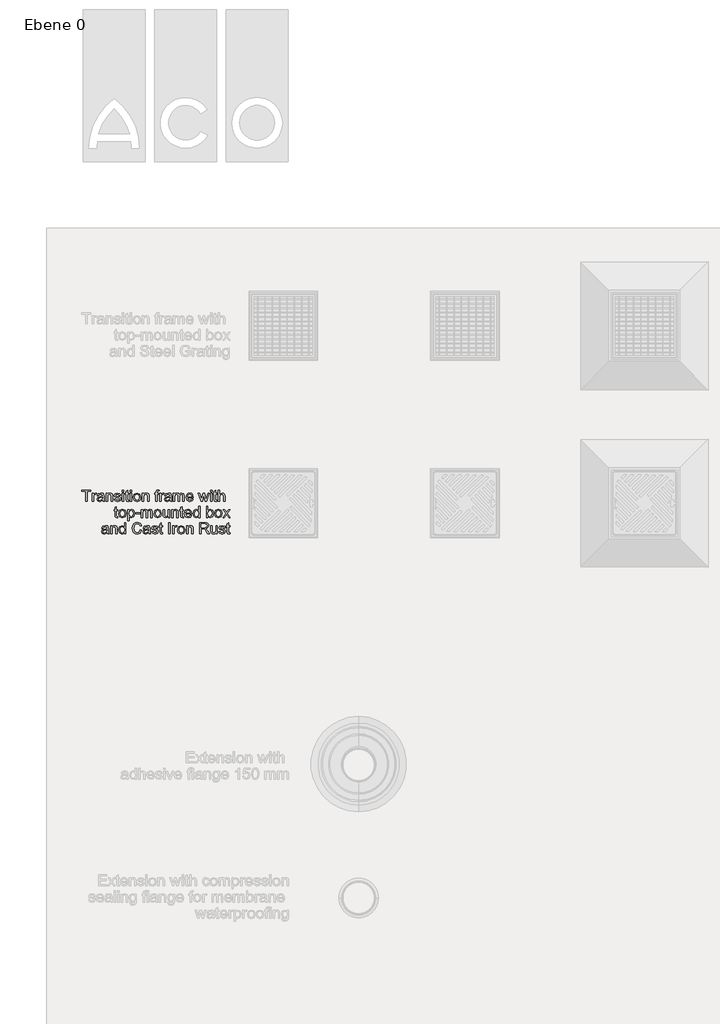
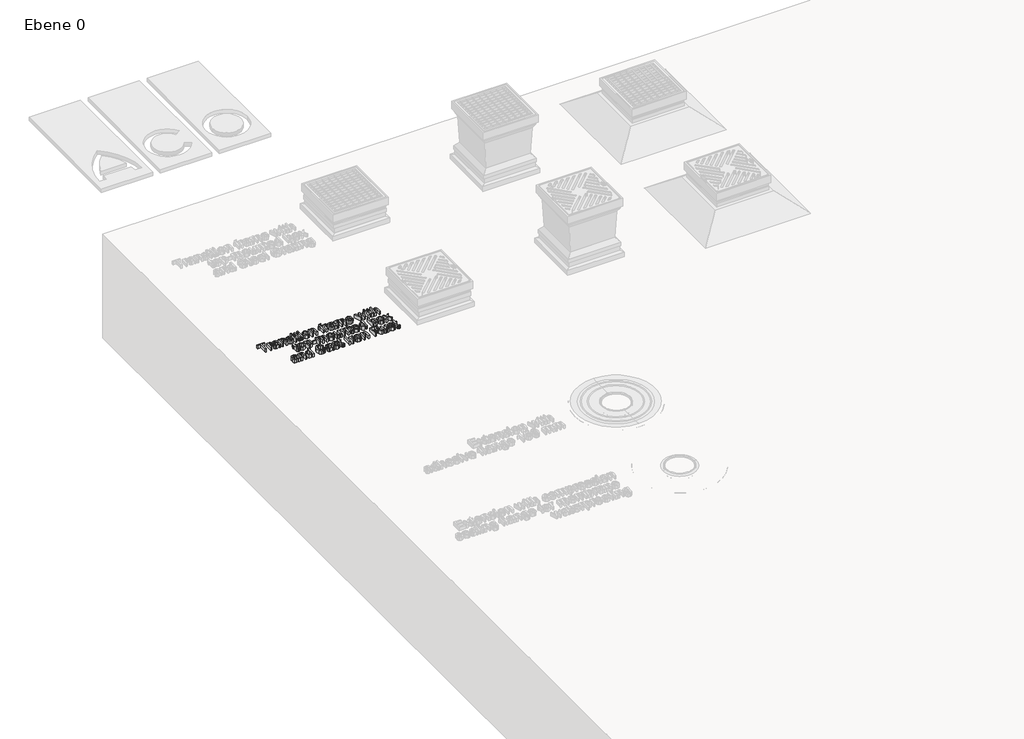
# One storey, part 8 of 12: 1 proxy.
"""IFC4 building model written with IfcOpenShell, lengths in millimetres."""

from ifc_helpers import new_model, si_unit, origin, origin_with_axes, place, context, project, spatial, polyline, outline, extrude, element, save

model = new_model("IFC4")

# Units and contexts
model_context = context("Model", 3, world=origin())
ifc_project = project(units=[si_unit("LENGTHUNIT", "METRE", prefix="MILLI")], contexts=[model_context])

# Site, building, storey
site = spatial("IfcSite", under=ifc_project)
building = spatial("IfcBuilding", under=site)
storey = spatial("IfcBuildingStorey", under=building, Name="Ebene 0", Elevation=0.0)

# Proxy
placement = place(None, origin())
element("IfcBuildingElementProxy", 1, Name="100mm ACO", ObjectType="100mm ACO", at=placement, inside=storey, context=model_context, shape_type="SweptSolid", body=[
    extrude(outline(polyline([(-29308.106162, 22125.4208709), (-29324.8702429, 22125.4208709), (-29324.8702429, 22080.7166552), (-29331.3896076, 22080.7166552), (-29331.3896076, 22125.4208709), (-29348.1536885, 22125.4208709), (-29348.1536885, 22131.0088979), (-29308.106162, 22131.0088979), (-29308.106162, 22125.4208709)])), origin_with_axes(), (0.0, 0.0, 1.0), 20.0),
    extrude(outline(polyline([(-29282.0287028, 22116.5440573), (-29284.0660043, 22112.3821414), (-29288.3443375, 22113.3134792), (-29293.3648304, 22110.0392446), (-29295.0674324, 22100.8713879), (-29295.0674324, 22080.7166552), (-29301.5867972, 22080.7166552), (-29301.5867972, 22117.0388305), (-29295.9987702, 22117.0388305), (-29295.9987702, 22111.6545337), (-29288.2715767, 22117.9701683), (-29282.0287028, 22116.5440573)])), origin_with_axes(), (0.0, 0.0, 1.0), 20.0),
    extrude(outline(polyline([(-29246.6378654, 22080.7166552), (-29253.1572302, 22080.7166552), (-29255.0199058, 22085.1114056), (-29268.0731876, 22079.7853174), (-29276.928173, 22082.6957481), (-29280.1660272, 22090.3792852), (-29276.9936577, 22097.9245768), (-29265.9776775, 22101.8463822), (-29260.2732333, 22102.7195114), (-29255.0199058, 22104.0001009), (-29255.1872556, 22108.0383235), (-29256.1622499, 22110.4903614), (-29258.7598093, 22112.534939), (-29263.5765721, 22113.3134792), (-29269.6520962, 22111.7345705), (-29272.7153245, 22105.8627766), (-29279.2346893, 22106.663145), (-29274.0905031, 22115.1324984), (-29262.6888908, 22117.9701683), (-29253.0044326, 22116.0274558), (-29249.2063205, 22111.3416624), (-29248.500541, 22104.2765918), (-29248.500541, 22095.9673122), (-29248.2240501, 22085.7808047), (-29246.6378654, 22080.7166552)]), holes=[polyline([(-29255.0199058, 22097.0150672), (-29255.0199058, 22099.3434118), (-29266.7271134, 22096.6658155), (-29271.9167751, 22094.624876), (-29273.6466624, 22090.4811503), (-29271.7839867, 22086.1446085), (-29266.4142421, 22084.4420066), (-29258.4614901, 22087.2942286), (-29255.0199058, 22097.0150672)])]), origin_with_axes(), (0.0, 0.0, 1.0), 20.0),
    extrude(outline(polyline([(-29209.3843523, 22080.7166552), (-29215.9037171, 22080.7166552), (-29215.9037171, 22103.3307019), (-29217.8464296, 22111.1743126), (-29223.2525546, 22113.3134792), (-29228.2948758, 22111.9455768), (-29231.6709755, 22108.0892561), (-29232.667798, 22101.0460137), (-29232.667798, 22080.7166552), (-29239.1871628, 22080.7166552), (-29239.1871628, 22117.0388305), (-29233.5991358, 22117.0388305), (-29233.5991358, 22111.9892332), (-29228.6222993, 22116.4785726), (-29221.957413, 22117.9701683), (-29216.2384166, 22116.9369654), (-29211.8145619, 22113.8446328), (-29209.7990887, 22109.4498824), (-29209.3843523, 22103.1415239), (-29209.3843523, 22080.7166552)])), origin_with_axes(), (0.0, 0.0, 1.0), 20.0),
    extrude(outline(polyline([(-29179.5815418, 22106.7941144), (-29181.9899233, 22111.683638), (-29187.556122, 22113.3134792), (-29193.246014, 22111.9164724), (-29195.4142849, 22107.8564216), (-29193.9808978, 22104.2620397), (-29187.2214225, 22102.3120511), (-29178.3082284, 22100.216541), (-29173.7606804, 22097.0368954), (-29172.1308392, 22091.3397273), (-29176.1763379, 22083.1250367), (-29186.988588, 22079.7853174), (-29197.9972922, 22082.5938831), (-29202.8649875, 22091.0050278), (-29196.3456227, 22091.8927092), (-29193.529781, 22086.2974061), (-29186.988588, 22084.4420066), (-29180.8039227, 22086.3701669), (-29178.650204, 22091.0632364), (-29179.6179222, 22094.0682561), (-29182.0335797, 22095.763582), (-29188.8658158, 22097.2187974), (-29199.3942989, 22101.1478788), (-29201.9336497, 22107.4780656), (-29198.171918, 22115.0088051), (-29188.0508952, 22117.9701683), (-29177.5515164, 22115.379885), (-29173.0621771, 22107.6235872), (-29179.5815418, 22106.7941144)])), origin_with_axes(), (0.0, 0.0, 1.0), 20.0),
    extrude(outline(polyline([(-29159.0921096, 22080.7166552), (-29165.6114744, 22080.7166552), (-29165.6114744, 22117.0388305), (-29159.0921096, 22117.0388305), (-29159.0921096, 22080.7166552)])), origin_with_axes(), (0.0, 0.0, 1.0), 20.0),
    extrude(outline(polyline([(-29159.0921096, 22124.4895331), (-29165.6114744, 22124.4895331), (-29165.6114744, 22131.0088979), (-29159.0921096, 22131.0088979), (-29159.0921096, 22124.4895331)])), origin_with_axes(), (0.0, 0.0, 1.0), 20.0),
    extrude(outline(polyline([(-29135.808664, 22080.2073299), (-29140.3780402, 22079.7853174), (-29146.2061777, 22081.2332567), (-29148.4399333, 22084.9076755), (-29148.8473936, 22091.1068929), (-29148.8473936, 22112.3821414), (-29153.5040827, 22112.3821414), (-29153.5040827, 22117.0388305), (-29148.8473936, 22117.0388305), (-29148.8473936, 22126.2648958), (-29142.3280288, 22130.0775601), (-29142.3280288, 22117.0388305), (-29136.7400018, 22117.0388305), (-29136.7400018, 22112.3821414), (-29142.3280288, 22112.3821414), (-29142.3280288, 22089.7971991), (-29141.8041512, 22085.6643874), (-29139.1411071, 22084.4420066), (-29136.6090324, 22084.4420066), (-29135.808664, 22080.2073299)])), origin_with_axes(), (0.0, 0.0, 1.0), 20.0),
    extrude(outline(polyline([(-29123.7012722, 22080.7166552), (-29130.220637, 22080.7166552), (-29130.220637, 22117.0388305), (-29123.7012722, 22117.0388305), (-29123.7012722, 22080.7166552)])), origin_with_axes(), (0.0, 0.0, 1.0), 20.0),
    extrude(outline(polyline([(-29123.7012722, 22124.4895331), (-29130.220637, 22124.4895331), (-29130.220637, 22131.0088979), (-29123.7012722, 22131.0088979), (-29123.7012722, 22124.4895331)])), origin_with_axes(), (0.0, 0.0, 1.0), 20.0),
    extrude(outline(polyline([(-29099.5010409, 22117.9701683), (-29087.4882381, 22113.1534055), (-29082.7224078, 22099.459829), (-29084.0120924, 22090.270144), (-29087.8811463, 22084.2382764), (-29099.5010409, 22079.7853174), (-29111.266457, 22084.3619697), (-29115.0045415, 22090.2792391), (-29116.2505696, 22098.8777429), (-29111.4338068, 22113.2407184), (-29099.5010409, 22117.9701683)]), holes=[polyline([(-29099.5010409, 22084.4420066), (-29091.8538842, 22088.4802292), (-29089.2417726, 22099.1105773), (-29092.1958598, 22109.7336494), (-29099.5010409, 22113.3134792), (-29106.8571545, 22109.6827169), (-29109.7312048, 22098.8631907), (-29106.806222, 22088.0727689), (-29099.5010409, 22084.4420066)])]), origin_with_axes(), (0.0, 0.0, 1.0), 20.0),
    extrude(outline(polyline([(-29045.4688948, 22080.7166552), (-29051.9882595, 22080.7166552), (-29051.9882595, 22103.3307019), (-29053.930972, 22111.1743126), (-29059.3370971, 22113.3134792), (-29064.3794183, 22111.9455768), (-29067.7555179, 22108.0892561), (-29068.7523404, 22101.0460137), (-29068.7523404, 22080.7166552), (-29075.2717052, 22080.7166552), (-29075.2717052, 22117.0388305), (-29069.6836783, 22117.0388305), (-29069.6836783, 22111.9892332), (-29064.7068417, 22116.4785726), (-29058.0419554, 22117.9701683), (-29052.3229591, 22116.9369654), (-29047.8991044, 22113.8446328), (-29045.8836311, 22109.4498824), (-29045.4688948, 22103.1415239), (-29045.4688948, 22080.7166552)])), origin_with_axes(), (0.0, 0.0, 1.0), 20.0),
    extrude(outline(polyline([(-28999.8333412, 22131.4600147), (-29000.6337097, 22127.2835466), (-29003.8060791, 22127.2835466), (-29006.9784486, 22126.2139633), (-29008.2153817, 22120.9242555), (-29008.2153817, 22117.0388305), (-29002.6273547, 22117.0388305), (-29002.6273547, 22112.3821414), (-29008.2153817, 22112.3821414), (-29008.2153817, 22080.7166552), (-29014.7347465, 22080.7166552), (-29014.7347465, 22112.3821414), (-29020.3227734, 22112.3821414), (-29020.3227734, 22117.0388305), (-29014.7347465, 22117.0388305), (-29014.7347465, 22121.0261206), (-29014.2472493, 22126.0466135), (-29011.6787942, 22130.1212165), (-29005.2612945, 22131.9402357), (-28999.8333412, 22131.4600147)])), origin_with_axes(), (0.0, 0.0, 1.0), 20.0),
    extrude(outline(polyline([(-28977.4812334, 22116.5440573), (-28979.5185349, 22112.3821414), (-28983.796868, 22113.3134792), (-28988.817361, 22110.0392446), (-28990.519963, 22100.8713879), (-28990.519963, 22080.7166552), (-28997.0393277, 22080.7166552), (-28997.0393277, 22117.0388305), (-28991.4513008, 22117.0388305), (-28991.4513008, 22111.6545337), (-28983.7241072, 22117.9701683), (-28977.4812334, 22116.5440573)])), origin_with_axes(), (0.0, 0.0, 1.0), 20.0),
    extrude(outline(polyline([(-28942.0903959, 22080.7166552), (-28948.6097607, 22080.7166552), (-28950.4724364, 22085.1114056), (-28963.5257181, 22079.7853174), (-28972.3807036, 22082.6957481), (-28975.6185577, 22090.3792852), (-28972.4461882, 22097.9245768), (-28961.430208, 22101.8463822), (-28955.7257638, 22102.7195114), (-28950.4724364, 22104.0001009), (-28950.6397862, 22108.0383235), (-28951.6147804, 22110.4903614), (-28954.2123399, 22112.534939), (-28959.0291027, 22113.3134792), (-28965.1046268, 22111.7345705), (-28968.1678551, 22105.8627766), (-28974.6872199, 22106.663145), (-28969.5430336, 22115.1324984), (-28958.1414213, 22117.9701683), (-28948.4569631, 22116.0274558), (-28944.6588511, 22111.3416624), (-28943.9530716, 22104.2765918), (-28943.9530716, 22095.9673122), (-28943.6765807, 22085.7808047), (-28942.0903959, 22080.7166552)]), holes=[polyline([(-28950.4724364, 22097.0150672), (-28950.4724364, 22099.3434118), (-28962.1796439, 22096.6658155), (-28967.3693057, 22094.624876), (-28969.0991929, 22090.4811503), (-28967.2365173, 22086.1446085), (-28961.8667726, 22084.4420066), (-28953.9140207, 22087.2942286), (-28950.4724364, 22097.0150672)])]), origin_with_axes(), (0.0, 0.0, 1.0), 20.0),
    extrude(outline(polyline([(-28886.2101263, 22080.7166552), (-28892.7294911, 22080.7166552), (-28892.7294911, 22104.2038311), (-28893.0569146, 22108.6349618), (-28894.7595165, 22111.8946442), (-28899.0451258, 22113.3134792), (-28905.0842695, 22110.7231959), (-28907.6308963, 22102.3120511), (-28907.6308963, 22080.7166552), (-28914.1502611, 22080.7166552), (-28914.1502611, 22104.9023344), (-28915.750998, 22111.5235643), (-28920.2912699, 22113.3134792), (-28926.5923524, 22110.5121896), (-28929.0516664, 22100.027363), (-28929.0516664, 22080.7166552), (-28935.5710312, 22080.7166552), (-28935.5710312, 22117.0388305), (-28929.9830042, 22117.0388305), (-28929.9830042, 22112.061994), (-28925.2644684, 22116.4931247), (-28918.9524718, 22117.9701683), (-28912.3239659, 22116.3767075), (-28908.5622342, 22111.5817729), (-28903.7745757, 22116.3730695), (-28897.4443889, 22117.9701683), (-28889.018692, 22114.9142161), (-28886.2101263, 22105.7463593), (-28886.2101263, 22080.7166552)])), origin_with_axes(), (0.0, 0.0, 1.0), 20.0),
    extrude(outline(polyline([(-28845.2312619, 22097.4807361), (-28872.2400589, 22097.4807361), (-28868.8275789, 22087.7890019), (-28861.253183, 22084.4420066), (-28855.381389, 22086.2974061), (-28851.7506267, 22091.8927092), (-28845.2312619, 22091.1359972), (-28850.921154, 22082.7248524), (-28861.253183, 22079.7853174), (-28874.1245628, 22084.8276386), (-28878.7594237, 22098.601252), (-28874.2919126, 22112.6004237), (-28868.9112538, 22116.6277322), (-28861.7042998, 22117.9701683), (-28854.049867, 22116.231186), (-28847.799717, 22110.3084595), (-28845.2312619, 22097.4807361)]), holes=[polyline([(-28851.7506267, 22102.1374253), (-28855.184935, 22110.6940916), (-28861.8643734, 22113.3134792), (-28868.9949287, 22110.1993183), (-28872.2400589, 22102.1374253), (-28851.7506267, 22102.1374253)])]), origin_with_axes(), (0.0, 0.0, 1.0), 20.0),
    extrude(outline(polyline([(-28773.2854148, 22117.0388305), (-28785.4510152, 22080.7166552), (-28791.6211283, 22080.7166552), (-28796.90356, 22102.5448856), (-28797.565683, 22105.4916967), (-28798.1987017, 22108.7149987), (-28804.6162014, 22080.7166552), (-28810.7863145, 22080.7166552), (-28823.1119885, 22117.0388305), (-28817.3056793, 22117.0388305), (-28808.4434178, 22088.2546708), (-28807.3811106, 22093.1587465), (-28801.8221879, 22117.0388305), (-28794.531559, 22117.0388305), (-28790.1222565, 22097.9900615), (-28788.0704028, 22089.0404871), (-28779.1062762, 22117.0388305), (-28773.2854148, 22117.0388305)])), origin_with_axes(), (0.0, 0.0, 1.0), 20.0),
    extrude(outline(polyline([(-28761.4108575, 22080.7166552), (-28767.9302223, 22080.7166552), (-28767.9302223, 22117.0388305), (-28761.4108575, 22117.0388305), (-28761.4108575, 22080.7166552)])), origin_with_axes(), (0.0, 0.0, 1.0), 20.0),
    extrude(outline(polyline([(-28761.4108575, 22124.4895331), (-28767.9302223, 22124.4895331), (-28767.9302223, 22131.0088979), (-28761.4108575, 22131.0088979), (-28761.4108575, 22124.4895331)])), origin_with_axes(), (0.0, 0.0, 1.0), 20.0),
    extrude(outline(polyline([(-28738.1274118, 22080.2073299), (-28742.696788, 22079.7853174), (-28748.5249255, 22081.2332567), (-28750.7586811, 22084.9076755), (-28751.1661414, 22091.1068929), (-28751.1661414, 22112.3821414), (-28755.8228305, 22112.3821414), (-28755.8228305, 22117.0388305), (-28751.1661414, 22117.0388305), (-28751.1661414, 22126.2648958), (-28744.6467766, 22130.0775601), (-28744.6467766, 22117.0388305), (-28739.0587497, 22117.0388305), (-28739.0587497, 22112.3821414), (-28744.6467766, 22112.3821414), (-28744.6467766, 22089.7971991), (-28744.1228991, 22085.6643874), (-28741.459855, 22084.4420066), (-28738.9277803, 22084.4420066), (-28738.1274118, 22080.2073299)])), origin_with_axes(), (0.0, 0.0, 1.0), 20.0),
    extrude(outline(polyline([(-28702.7365744, 22080.7166552), (-28709.2559392, 22080.7166552), (-28709.2559392, 22104.2038311), (-28711.1113388, 22111.0360672), (-28716.6484332, 22113.3134792), (-28723.1532458, 22110.6286069), (-28726.0200201, 22101.0460137), (-28726.0200201, 22080.7166552), (-28732.5393849, 22080.7166552), (-28732.5393849, 22131.0088979), (-28726.0200201, 22131.0088979), (-28726.0200201, 22112.9933318), (-28715.1786657, 22117.9701683), (-28708.4992272, 22116.5295051), (-28704.02444, 22112.0983744), (-28702.7365744, 22103.7963708), (-28702.7365744, 22080.7166552)])), origin_with_axes(), (0.0, 0.0, 1.0), 20.0),
    extrude(outline(polyline([(-29186.1009066, 22006.9238842), (-29190.6702828, 22006.5018717), (-29196.4984203, 22007.949811), (-29198.7321759, 22011.6242298), (-29199.1396362, 22017.8234472), (-29199.1396362, 22039.0986957), (-29203.7963253, 22039.0986957), (-29203.7963253, 22043.7553848), (-29199.1396362, 22043.7553848), (-29199.1396362, 22052.9814502), (-29192.6202714, 22056.7941144), (-29192.6202714, 22043.7553848), (-29187.0322445, 22043.7553848), (-29187.0322445, 22039.0986957), (-29192.6202714, 22039.0986957), (-29192.6202714, 22016.5137534), (-29192.0963939, 22012.3809418), (-29189.4333498, 22011.1585609), (-29186.9012751, 22011.1585609), (-29186.1009066, 22006.9238842)])), origin_with_axes(), (0.0, 0.0, 1.0), 20.0),
    extrude(outline(polyline([(-29165.6260266, 22044.6867226), (-29153.6132238, 22039.8699598), (-29148.8473936, 22026.1763833), (-29150.1370782, 22016.9866984), (-29154.006132, 22010.9548307), (-29165.6260266, 22006.5018717), (-29177.3914427, 22011.078524), (-29181.1295272, 22016.9957935), (-29182.3755553, 22025.5942972), (-29177.5587925, 22039.9572727), (-29165.6260266, 22044.6867226)]), holes=[polyline([(-29165.6260266, 22011.1585609), (-29157.9788699, 22015.1967835), (-29155.3667583, 22025.8271317), (-29158.3208455, 22036.4502037), (-29165.6260266, 22040.0300335), (-29172.9821402, 22036.3992712), (-29175.8561905, 22025.579745), (-29172.9312077, 22014.7893232), (-29165.6260266, 22011.1585609)])]), origin_with_axes(), (0.0, 0.0, 1.0), 20.0),
    extrude(outline(polyline([(-29134.8118415, 22039.3751866), (-29124.6908187, 22044.6867226), (-29113.7475992, 22039.4770517), (-29109.7312048, 22025.8998924), (-29114.2714767, 22011.7479231), (-29125.4184263, 22006.5018717), (-29134.7027003, 22010.7802049), (-29134.8773261, 21993.4631422), (-29141.3966909, 21993.4631422), (-29141.3966909, 22043.7553848), (-29134.8773261, 22043.7553848), (-29134.8118415, 22039.3751866)]), holes=[polyline([(-29126.1314819, 22011.1585609), (-29119.0518592, 22014.8329796), (-29116.2505696, 22025.7834752), (-29118.9499941, 22036.3410626), (-29125.8549909, 22040.0300335), (-29133.0073744, 22035.9190501), (-29135.808664, 22025.2595977), (-29133.1237916, 22014.7456667), (-29126.1314819, 22011.1585609)])]), origin_with_axes(), (0.0, 0.0, 1.0), 20.0),
    extrude(outline(polyline([(-29085.5164213, 22024.1972905), (-29105.0745157, 22024.1972905), (-29105.0745157, 22028.8539796), (-29085.5164213, 22028.8539796), (-29085.5164213, 22024.1972905)])), origin_with_axes(), (0.0, 0.0, 1.0), 20.0),
    extrude(outline(polyline([(-29030.5674895, 22007.4332096), (-29037.0868543, 22007.4332096), (-29037.0868543, 22030.9203854), (-29037.4142778, 22035.3515161), (-29039.1168797, 22038.6111985), (-29043.4024889, 22040.0300335), (-29049.4416327, 22037.4397502), (-29051.9882595, 22029.0286054), (-29051.9882595, 22007.4332096), (-29058.5076243, 22007.4332096), (-29058.5076243, 22031.6188888), (-29060.1083612, 22038.2401186), (-29064.6486331, 22040.0300335), (-29070.9497156, 22037.228744), (-29073.4090296, 22026.7439173), (-29073.4090296, 22007.4332096), (-29079.9283944, 22007.4332096), (-29079.9283944, 22043.7553848), (-29074.3403674, 22043.7553848), (-29074.3403674, 22038.7785483), (-29069.6218316, 22043.2096791), (-29063.309835, 22044.6867226), (-29056.6813291, 22043.0932618), (-29052.9195974, 22038.2983272), (-29048.1319388, 22043.0896238), (-29041.8017521, 22044.6867226), (-29033.3760552, 22041.6307704), (-29030.5674895, 22032.4629137), (-29030.5674895, 22007.4332096)])), origin_with_axes(), (0.0, 0.0, 1.0), 20.0),
    extrude(outline(polyline([(-29006.3672582, 22044.6867226), (-28994.3544554, 22039.8699598), (-28989.5886251, 22026.1763833), (-28990.8783097, 22016.9866984), (-28994.7473636, 22010.9548307), (-29006.3672582, 22006.5018717), (-29018.1326743, 22011.078524), (-29021.8707588, 22016.9957935), (-29023.1167869, 22025.5942972), (-29018.3000241, 22039.9572727), (-29006.3672582, 22044.6867226)]), holes=[polyline([(-29006.3672582, 22011.1585609), (-28998.7201015, 22015.1967835), (-28996.1079899, 22025.8271317), (-28999.0620771, 22036.4502037), (-29006.3672582, 22040.0300335), (-29013.7233718, 22036.3992712), (-29016.5974221, 22025.579745), (-29013.6724392, 22014.7893232), (-29006.3672582, 22011.1585609)])]), origin_with_axes(), (0.0, 0.0, 1.0), 20.0),
    extrude(outline(polyline([(-28952.335112, 22007.4332096), (-28957.923139, 22007.4332096), (-28957.923139, 22012.7156413), (-28963.0746014, 22008.0553141), (-28969.5939662, 22006.5018717), (-28976.6954171, 22008.2699584), (-28981.046511, 22013.1376538), (-28982.1379225, 22021.1849947), (-28982.1379225, 22043.7553848), (-28975.6185577, 22043.7553848), (-28975.6185577, 22023.1495354), (-28975.167441, 22016.0626366), (-28972.8099921, 22012.5410155), (-28968.2697202, 22011.1585609), (-28961.8594965, 22013.632427), (-28958.8544768, 22023.8771431), (-28958.8544768, 22043.7553848), (-28952.335112, 22043.7553848), (-28952.335112, 22007.4332096)])), origin_with_axes(), (0.0, 0.0, 1.0), 20.0),
    extrude(outline(polyline([(-28913.2189233, 22007.4332096), (-28919.7382881, 22007.4332096), (-28919.7382881, 22030.0472562), (-28921.6810006, 22037.8908669), (-28927.0871256, 22040.0300335), (-28932.1294468, 22038.6621311), (-28935.5055465, 22034.8058104), (-28936.502369, 22027.7625681), (-28936.502369, 22007.4332096), (-28943.0217338, 22007.4332096), (-28943.0217338, 22043.7553848), (-28937.4337068, 22043.7553848), (-28937.4337068, 22038.7057875), (-28932.4568703, 22043.1951269), (-28925.791984, 22044.6867226), (-28920.0729876, 22043.6535197), (-28915.649133, 22040.5611871), (-28913.6336597, 22036.1664367), (-28913.2189233, 22029.8580782), (-28913.2189233, 22007.4332096)])), origin_with_axes(), (0.0, 0.0, 1.0), 20.0),
    extrude(outline(polyline([(-28889.9354776, 22006.9238842), (-28894.5048538, 22006.5018717), (-28900.3329913, 22007.949811), (-28902.5667469, 22011.6242298), (-28902.9742072, 22017.8234472), (-28902.9742072, 22039.0986957), (-28907.6308963, 22039.0986957), (-28907.6308963, 22043.7553848), (-28902.9742072, 22043.7553848), (-28902.9742072, 22052.9814502), (-28896.4548424, 22056.7941144), (-28896.4548424, 22043.7553848), (-28890.8668155, 22043.7553848), (-28890.8668155, 22039.0986957), (-28896.4548424, 22039.0986957), (-28896.4548424, 22016.5137534), (-28895.9309649, 22012.3809418), (-28893.2679208, 22011.1585609), (-28890.7358461, 22011.1585609), (-28889.9354776, 22006.9238842)])), origin_with_axes(), (0.0, 0.0, 1.0), 20.0),
    extrude(outline(polyline([(-28852.6819646, 22024.1972905), (-28879.6907615, 22024.1972905), (-28876.2782815, 22014.5055562), (-28868.7038856, 22011.1585609), (-28862.8320917, 22013.0139605), (-28859.2013293, 22018.6092635), (-28852.6819646, 22017.8525515), (-28858.3718566, 22009.4414068), (-28868.7038856, 22006.5018717), (-28881.5752654, 22011.5441929), (-28886.2101263, 22025.3178063), (-28881.7426152, 22039.316978), (-28876.3619564, 22043.3442865), (-28869.1550024, 22044.6867226), (-28861.5005696, 22042.9477403), (-28855.2504197, 22037.0250138), (-28852.6819646, 22024.1972905)]), holes=[polyline([(-28859.2013293, 22028.8539796), (-28862.6356376, 22037.4106459), (-28869.3150761, 22040.0300335), (-28876.4456313, 22036.9158727), (-28879.6907615, 22028.8539796), (-28859.2013293, 22028.8539796)])]), origin_with_axes(), (0.0, 0.0, 1.0), 20.0),
    extrude(outline(polyline([(-28815.4284515, 22007.4332096), (-28821.9478163, 22007.4332096), (-28821.9478163, 22011.5369169), (-28831.872385, 22006.5018717), (-28842.7355676, 22011.8134078), (-28847.0939376, 22025.5942972), (-28842.9174695, 22039.5643646), (-28831.8869371, 22044.6867226), (-28822.0787856, 22040.0882421), (-28821.9478163, 22057.7254522), (-28815.4284515, 22057.7254522), (-28815.4284515, 22007.4332096)]), holes=[polyline([(-28831.115673, 22011.1585609), (-28824.6108604, 22014.5928691), (-28821.9478163, 22025.0122111), (-28824.385302, 22035.9554305), (-28831.3776118, 22040.0300335), (-28838.2535043, 22036.0427434), (-28840.5745728, 22025.579745), (-28839.3230876, 22017.6560974), (-28835.8305707, 22012.7884021), (-28831.115673, 22011.1585609)])]), origin_with_axes(), (0.0, 0.0, 1.0), 20.0),
    extrude(outline(polyline([(-28779.9503011, 22040.1610029), (-28770.1712539, 22044.6867226), (-28759.0606847, 22039.5643646), (-28754.8914927, 22026.1763833), (-28759.4754211, 22011.5732973), (-28770.2003582, 22006.5018717), (-28779.9066447, 22011.4787083), (-28780.037614, 22007.4332096), (-28786.5569788, 22007.4332096), (-28786.5569788, 22057.7254522), (-28780.037614, 22057.7254522), (-28779.9503011, 22040.1610029)]), holes=[polyline([(-28770.8115487, 22011.1585609), (-28764.0666255, 22014.963949), (-28761.4108575, 22025.6525058), (-28763.8556193, 22036.1518846), (-28770.6078185, 22040.0300335), (-28777.4473307, 22036.0281913), (-28780.037614, 22025.8998924), (-28778.9607547, 22017.3723304), (-28775.7156244, 22012.9994083), (-28770.8115487, 22011.1585609)])]), origin_with_axes(), (0.0, 0.0, 1.0), 20.0),
    extrude(outline(polyline([(-28732.553937, 22044.6867226), (-28720.5411343, 22039.8699598), (-28715.775304, 22026.1763833), (-28717.0649886, 22016.9866984), (-28720.9340424, 22010.9548307), (-28732.553937, 22006.5018717), (-28744.3193532, 22011.078524), (-28748.0574376, 22016.9957935), (-28749.3034658, 22025.5942972), (-28744.4867029, 22039.9572727), (-28732.553937, 22044.6867226)]), holes=[polyline([(-28732.553937, 22011.1585609), (-28724.9067803, 22015.1967835), (-28722.2946688, 22025.8271317), (-28725.2487559, 22036.4502037), (-28732.553937, 22040.0300335), (-28739.9100506, 22036.3992712), (-28742.784101, 22025.579745), (-28739.8591181, 22014.7893232), (-28732.553937, 22011.1585609)])]), origin_with_axes(), (0.0, 0.0, 1.0), 20.0),
    extrude(outline(polyline([(-28678.5217909, 22007.4332096), (-28685.0993643, 22007.4332096), (-28695.3004239, 22021.6361114), (-28705.443275, 22007.4332096), (-28712.0499527, 22007.4332096), (-28698.6037628, 22026.2491441), (-28711.1186148, 22043.7553848), (-28704.5555936, 22043.7553848), (-28695.3004239, 22030.8476246), (-28686.0743586, 22043.7553848), (-28679.4531287, 22043.7553848), (-28691.9970851, 22026.234592), (-28678.5217909, 22007.4332096)])), origin_with_axes(), (0.0, 0.0, 1.0), 20.0),
    extrude(outline(polyline([(-29226.1484332, 21934.1497639), (-29232.667798, 21934.1497639), (-29234.5304736, 21938.5445143), (-29247.5837554, 21933.2184261), (-29256.4387408, 21936.1288568), (-29259.676595, 21943.8123938), (-29256.5042255, 21951.3576855), (-29245.4882453, 21955.2794908), (-29239.7838011, 21956.1526201), (-29234.5304736, 21957.4332096), (-29234.6978234, 21961.4714322), (-29235.6728177, 21963.92347), (-29238.2703771, 21965.9680476), (-29243.0871399, 21966.7465878), (-29249.162664, 21965.1676792), (-29252.2258924, 21959.2958852), (-29258.7452571, 21960.0962537), (-29253.6010709, 21968.565607), (-29242.1994586, 21971.403277), (-29232.5150004, 21969.4605645), (-29228.7168883, 21964.774771), (-29228.0111088, 21957.7097005), (-29228.0111088, 21949.4004208), (-29227.7346179, 21939.2139133), (-29226.1484332, 21934.1497639)]), holes=[polyline([(-29234.5304736, 21950.4481759), (-29234.5304736, 21952.7765204), (-29246.2376812, 21950.0989242), (-29251.4273429, 21948.0579846), (-29253.1572302, 21943.9142589), (-29251.2945545, 21939.5777172), (-29245.9248099, 21937.8751152), (-29237.972058, 21940.7273373), (-29234.5304736, 21950.4481759)])]), origin_with_axes(), (0.0, 0.0, 1.0), 20.0),
    extrude(outline(polyline([(-29188.8949201, 21934.1497639), (-29195.4142849, 21934.1497639), (-29195.4142849, 21956.7638105), (-29197.3569974, 21964.6074213), (-29202.7631224, 21966.7465878), (-29207.8054436, 21965.3786854), (-29211.1815433, 21961.5223647), (-29212.1783658, 21954.4791224), (-29212.1783658, 21934.1497639), (-29218.6977306, 21934.1497639), (-29218.6977306, 21970.4719391), (-29213.1097036, 21970.4719391), (-29213.1097036, 21965.4223419), (-29208.1328671, 21969.9116812), (-29201.4679808, 21971.403277), (-29195.7489844, 21970.3700741), (-29191.3251298, 21967.2777414), (-29189.3096565, 21962.8829911), (-29188.8949201, 21956.5746325), (-29188.8949201, 21934.1497639)])), origin_with_axes(), (0.0, 0.0, 1.0), 20.0),
    extrude(outline(polyline([(-29149.7787314, 21934.1497639), (-29156.2980962, 21934.1497639), (-29156.2980962, 21938.2534712), (-29166.2226649, 21933.2184261), (-29177.0858475, 21938.5299621), (-29181.4442175, 21952.3108515), (-29177.2677494, 21966.2809189), (-29166.237217, 21971.403277), (-29156.4290655, 21966.8047965), (-29156.2980962, 21984.4420066), (-29149.7787314, 21984.4420066), (-29149.7787314, 21934.1497639)]), holes=[polyline([(-29165.4659529, 21937.8751152), (-29158.9611403, 21941.3094234), (-29156.2980962, 21951.7287654), (-29158.7355819, 21962.6719848), (-29165.7278917, 21966.7465878), (-29172.6037842, 21962.7592978), (-29174.9248527, 21952.2962994), (-29173.6733675, 21944.3726518), (-29170.1808507, 21939.5049564), (-29165.4659529, 21937.8751152)])]), origin_with_axes(), (0.0, 0.0, 1.0), 20.0),
    extrude(outline(polyline([(-29078.0657187, 21950.1571328), (-29085.6255625, 21937.4167224), (-29098.5551509, 21933.2184261), (-29109.0690818, 21935.1575005), (-29116.2796739, 21940.9747239), (-29121.8385966, 21959.6451369), (-29120.2069364, 21970.4009974), (-29115.3119557, 21978.5411083), (-29107.852158, 21983.6652854), (-29098.5260466, 21985.3733444), (-29086.1785443, 21981.7280299), (-29078.9970565, 21971.0540253), (-29085.5164213, 21969.5406013), (-29090.4714296, 21977.2168623), (-29098.7734332, 21979.7853174), (-29105.9258167, 21978.422872), (-29111.1136594, 21974.3355359), (-29115.3192318, 21959.7178977), (-29110.8662728, 21943.9651915), (-29099.2536543, 21938.806453), (-29089.7219937, 21942.0588593), (-29084.5850835, 21951.8451826), (-29078.0657187, 21950.1571328)])), origin_with_axes(), (0.0, 0.0, 1.0), 20.0),
    extrude(outline(polyline([(-29038.94953, 21934.1497639), (-29045.4688948, 21934.1497639), (-29047.3315704, 21938.5445143), (-29060.3848521, 21933.2184261), (-29069.2398376, 21936.1288568), (-29072.4776917, 21943.8123938), (-29069.3053223, 21951.3576855), (-29058.289342, 21955.2794908), (-29052.5848978, 21956.1526201), (-29047.3315704, 21957.4332096), (-29047.4989202, 21961.4714322), (-29048.4739145, 21963.92347), (-29051.0714739, 21965.9680476), (-29055.8882367, 21966.7465878), (-29061.9637608, 21965.1676792), (-29065.0269891, 21959.2958852), (-29071.5463539, 21960.0962537), (-29066.4021676, 21968.565607), (-29055.0005553, 21971.403277), (-29045.3160971, 21969.4605645), (-29041.5179851, 21964.774771), (-29040.8122056, 21957.7097005), (-29040.8122056, 21949.4004208), (-29040.5357147, 21939.2139133), (-29038.94953, 21934.1497639)]), holes=[polyline([(-29047.3315704, 21950.4481759), (-29047.3315704, 21952.7765204), (-29059.0387779, 21950.0989242), (-29064.2284397, 21948.0579846), (-29065.9583269, 21943.9142589), (-29064.0956513, 21939.5777172), (-29058.7259066, 21937.8751152), (-29050.7731547, 21940.7273373), (-29047.3315704, 21950.4481759)])]), origin_with_axes(), (0.0, 0.0, 1.0), 20.0),
    extrude(outline(polyline([(-29011.0093951, 21960.227223), (-29013.4177766, 21965.1167466), (-29018.9839753, 21966.7465878), (-29024.6738673, 21965.3495811), (-29026.8421382, 21961.2895303), (-29025.4087511, 21957.6951483), (-29018.6492758, 21955.7451598), (-29009.7360817, 21953.6496496), (-29005.1885337, 21950.4700041), (-29003.5586925, 21944.772836), (-29007.6041912, 21936.5581453), (-29018.4164413, 21933.2184261), (-29029.4251455, 21936.0269917), (-29034.2928408, 21944.4381364), (-29027.773476, 21945.3258178), (-29024.9576343, 21939.7305148), (-29018.4164413, 21937.8751152), (-29012.231776, 21939.8032755), (-29010.0780573, 21944.4963451), (-29011.0457755, 21947.5013648), (-29013.461433, 21949.1966907), (-29020.2936691, 21950.651906), (-29030.8221522, 21954.5809875), (-29033.361503, 21960.9111743), (-29029.5997713, 21968.4419137), (-29019.4787485, 21971.403277), (-29008.9793697, 21968.8129936), (-29004.4900304, 21961.0566958), (-29011.0093951, 21960.227223)])), origin_with_axes(), (0.0, 0.0, 1.0), 20.0),
    extrude(outline(polyline([(-28983.0692603, 21933.6404385), (-28987.6386366, 21933.2184261), (-28993.466774, 21934.6663653), (-28995.7005296, 21938.3407841), (-28996.1079899, 21944.5400015), (-28996.1079899, 21965.81525), (-29000.7646791, 21965.81525), (-29000.7646791, 21970.4719391), (-28996.1079899, 21970.4719391), (-28996.1079899, 21979.6980045), (-28989.5886251, 21983.5106687), (-28989.5886251, 21970.4719391), (-28984.0005982, 21970.4719391), (-28984.0005982, 21965.81525), (-28989.5886251, 21965.81525), (-28989.5886251, 21943.2303077), (-28989.0647476, 21939.0974961), (-28986.4017035, 21937.8751152), (-28983.8696288, 21937.8751152), (-28983.0692603, 21933.6404385)])), origin_with_axes(), (0.0, 0.0, 1.0), 20.0),
    extrude(outline(polyline([(-28949.5410986, 21934.1497639), (-28956.0604634, 21934.1497639), (-28956.0604634, 21984.4420066), (-28949.5410986, 21984.4420066), (-28949.5410986, 21934.1497639)])), origin_with_axes(), (0.0, 0.0, 1.0), 20.0),
    extrude(outline(polyline([(-28918.8069503, 21969.9771659), (-28920.8442518, 21965.81525), (-28925.1225849, 21966.7465878), (-28930.1430779, 21963.4723533), (-28931.8456799, 21954.3044966), (-28931.8456799, 21934.1497639), (-28938.3650446, 21934.1497639), (-28938.3650446, 21970.4719391), (-28932.7770177, 21970.4719391), (-28932.7770177, 21965.0876423), (-28925.0498241, 21971.403277), (-28918.8069503, 21969.9771659)])), origin_with_axes(), (0.0, 0.0, 1.0), 20.0),
    extrude(outline(polyline([(-28900.1947459, 21971.403277), (-28888.1819431, 21966.5865141), (-28883.4161128, 21952.8929377), (-28884.7057975, 21943.7032527), (-28888.5748513, 21937.6713851), (-28900.1947459, 21933.2184261), (-28911.960162, 21937.7950784), (-28915.6982465, 21943.7123478), (-28916.9442746, 21952.3108515), (-28912.1275118, 21966.6738271), (-28900.1947459, 21971.403277)]), holes=[polyline([(-28900.1947459, 21937.8751152), (-28892.5475892, 21941.9133378), (-28889.9354776, 21952.543686), (-28892.8895648, 21963.1667581), (-28900.1947459, 21966.7465878), (-28907.5508595, 21963.1158255), (-28910.4249098, 21952.2962994), (-28907.499927, 21941.5058775), (-28900.1947459, 21937.8751152)])]), origin_with_axes(), (0.0, 0.0, 1.0), 20.0),
    extrude(outline(polyline([(-28846.1625998, 21934.1497639), (-28852.6819646, 21934.1497639), (-28852.6819646, 21956.7638105), (-28854.6246771, 21964.6074213), (-28860.0308021, 21966.7465878), (-28865.0731233, 21965.3786854), (-28868.4492229, 21961.5223647), (-28869.4460454, 21954.4791224), (-28869.4460454, 21934.1497639), (-28875.9654102, 21934.1497639), (-28875.9654102, 21970.4719391), (-28870.3773833, 21970.4719391), (-28870.3773833, 21965.4223419), (-28865.4005468, 21969.9116812), (-28858.7356604, 21971.403277), (-28853.0166641, 21970.3700741), (-28848.5928094, 21967.2777414), (-28846.5773361, 21962.8829911), (-28846.1625998, 21956.5746325), (-28846.1625998, 21934.1497639)])), origin_with_axes(), (0.0, 0.0, 1.0), 20.0),
    extrude(outline(polyline([(-28772.354077, 21934.1497639), (-28779.9066447, 21934.1497639), (-28789.3364402, 21949.1675864), (-28793.2364173, 21953.7587908), (-28797.1218423, 21956.0289268), (-28801.9386051, 21956.5018717), (-28809.8404245, 21956.5018717), (-28809.8404245, 21934.1497639), (-28816.3597893, 21934.1497639), (-28816.3597893, 21984.4420066), (-28794.1677551, 21984.4420066), (-28786.5351506, 21983.8671965), (-28781.1363016, 21981.451539), (-28777.5637479, 21976.809402), (-28776.3122627, 21970.9085038), (-28779.9648533, 21961.8934446), (-28790.5006124, 21957.5641789), (-28781.0853691, 21947.9306533), (-28772.354077, 21934.1497639)]), holes=[polyline([(-28809.8404245, 21962.0898987), (-28795.3755839, 21962.0898987), (-28788.4414827, 21962.8320585), (-28784.3596036, 21965.720661), (-28782.8316275, 21970.5446999), (-28785.3709783, 21976.431046), (-28793.7457427, 21978.8539796), (-28809.8404245, 21978.8539796), (-28809.8404245, 21962.0898987)])]), origin_with_axes(), (0.0, 0.0, 1.0), 20.0),
    extrude(outline(polyline([(-28737.196074, 21934.1497639), (-28742.784101, 21934.1497639), (-28742.784101, 21939.4321956), (-28747.9355633, 21934.7718685), (-28754.4549281, 21933.2184261), (-28761.556379, 21934.9865127), (-28765.907473, 21939.8542081), (-28766.9988845, 21947.901549), (-28766.9988845, 21970.4719391), (-28760.4795197, 21970.4719391), (-28760.4795197, 21949.8660897), (-28760.0284029, 21942.7791909), (-28757.670954, 21939.2575698), (-28753.1306821, 21937.8751152), (-28746.7204585, 21940.3489813), (-28743.7154388, 21950.5936974), (-28743.7154388, 21970.4719391), (-28737.196074, 21970.4719391), (-28737.196074, 21934.1497639)])), origin_with_axes(), (0.0, 0.0, 1.0), 20.0),
    extrude(outline(polyline([(-28707.3932635, 21960.227223), (-28709.8016449, 21965.1167466), (-28715.3678437, 21966.7465878), (-28721.0577357, 21965.3495811), (-28723.2260066, 21961.2895303), (-28721.7926195, 21957.6951483), (-28715.0331442, 21955.7451598), (-28706.1199501, 21953.6496496), (-28701.5724021, 21950.4700041), (-28699.9425609, 21944.772836), (-28703.9880596, 21936.5581453), (-28714.8003097, 21933.2184261), (-28725.8090139, 21936.0269917), (-28730.6767092, 21944.4381364), (-28724.1573444, 21945.3258178), (-28721.3415027, 21939.7305148), (-28714.8003097, 21937.8751152), (-28708.6156444, 21939.8032755), (-28706.4619257, 21944.4963451), (-28707.4296439, 21947.5013648), (-28709.8453014, 21949.1966907), (-28716.6775375, 21950.651906), (-28727.2060206, 21954.5809875), (-28729.7453714, 21960.9111743), (-28725.9836397, 21968.4419137), (-28715.8626169, 21971.403277), (-28705.3632381, 21968.8129936), (-28700.8738987, 21961.0566958), (-28707.3932635, 21960.227223)])), origin_with_axes(), (0.0, 0.0, 1.0), 20.0),
    extrude(outline(polyline([(-28679.4531287, 21933.6404385), (-28684.0225049, 21933.2184261), (-28689.8506424, 21934.6663653), (-28692.084398, 21938.3407841), (-28692.4918583, 21944.5400015), (-28692.4918583, 21965.81525), (-28697.1485474, 21965.81525), (-28697.1485474, 21970.4719391), (-28692.4918583, 21970.4719391), (-28692.4918583, 21979.6980045), (-28685.9724935, 21983.5106687), (-28685.9724935, 21970.4719391), (-28680.3844666, 21970.4719391), (-28680.3844666, 21965.81525), (-28685.9724935, 21965.81525), (-28685.9724935, 21943.2303077), (-28685.448616, 21939.0974961), (-28682.7855719, 21937.8751152), (-28680.2534972, 21937.8751152), (-28679.4531287, 21933.6404385)])), origin_with_axes(), (0.0, 0.0, 1.0), 20.0),
])

save(model, "model.ifc")
